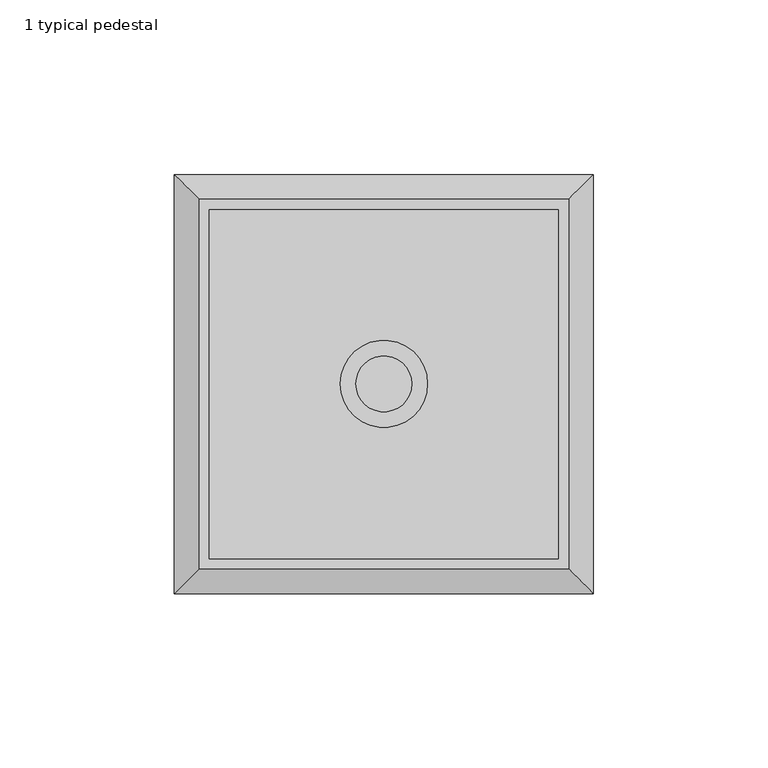
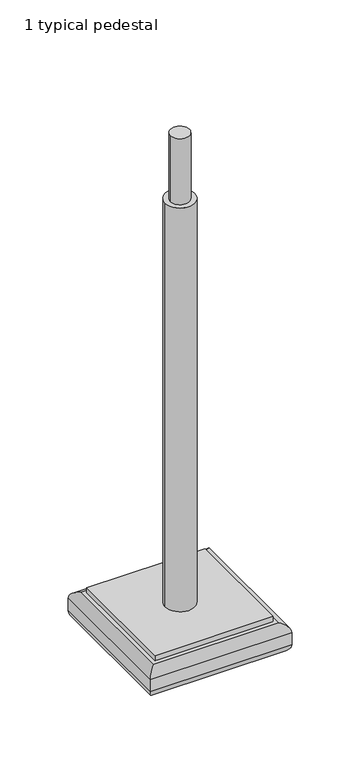
"""IFC4 building model written with IfcOpenShell, lengths in millimetres: proxy geometry, 1 typical pedestal."""

from ifc_helpers import new_model, si_unit, point, frame, frame_2d, origin, place, context, project, spatial, polyline, circle_curve, ellipse_curve, trimmed, segment, composite_curve, outline, extrude, source, transform, mapped, element, save
from ifc_brep_helpers import plane_surface, cylinder_surface, advanced_brep


def proxy_1_typical_pedestal_03ccecb5(model_context):
    return source(origin(), model_context, "Body", "SolidModel", [
        extrude(outline(composite_curve([segment(trimmed(circle_curve(frame_2d((600.0, 0.0)), 8.0), [point((592.0, 0.0))], [point((608.0, 0.0))], False, "CARTESIAN"), True, "CONTINUOUS"), segment(trimmed(circle_curve(frame_2d((600.0, 0.0)), 8.0), [point((608.0, 0.0))], [point((592.0, 0.0))], False, "CARTESIAN"), True, "CONTINUOUS")], self_intersect=False)), frame((0.0, 0.0, 391.0), z_axis=(0.0, 0.0, 1.0), x_axis=(1.0, 0.0, 0.0)), (0.0, 0.0, 1.0), 59.0),
        advanced_brep(
        [(547.0312293, 52.9687707, 25.0), (547.0312293, -52.9687707, 25.0), (652.9687707, -52.9687707, 25.0), (652.9687707, 52.9687707, 25.0), (547.0, -53.0, 0.0), (547.0, 53.0, 0.0), (653.0, 53.0, 0.0), (653.0, -53.0, 0.0), (540.0, 60.0, 7.0), (540.0, -60.0, 7.0), (540.0, -60.0, 17.9687707), (540.0, 60.0, 17.9687707), (660.0, -60.0, 7.0), (660.0, -60.0, 17.9687707), (660.0, 60.0, 7.0), (660.0, 60.0, 17.9687707)],
        [
            (0, 1),
            (1, 2),
            (2, 3),
            (3, 0),
            (4, 5),
            (5, 6),
            (6, 7),
            (7, 4),
            (8, 5, ellipse_curve(frame((547.0, 53.0, 7.0), z_axis=(-0.7071067811865475, -0.7071067811865475, 0.0), x_axis=(-0.7071067811865474, 0.7071067811865476, 0.0)), 9.8994949, 7.0)),
            (4, 9, ellipse_curve(frame((547.0, -53.0, 7.0), z_axis=(-0.7071067811865475, 0.7071067811865475, 0.0), x_axis=(0.7071067811865474, 0.7071067811865476, 0.0)), 9.8994949, 7.0)),
            (9, 8),
            (9, 10),
            (10, 11),
            (11, 8),
            (10, 1, ellipse_curve(frame((547.0312293, -52.9687707, 17.9687707), z_axis=(-0.7071067811865475, 0.7071067811865475, 0.0), x_axis=(0.7071067811865474, 0.7071067811865476, 0.0)), 9.9436598, 7.0312293)),
            (0, 11, ellipse_curve(frame((547.0312293, 52.9687707, 17.9687707), z_axis=(-0.7071067811865475, -0.7071067811865475, 0.0), x_axis=(-0.7071067811865474, 0.7071067811865476, 0.0)), 9.9436598, 7.0312293)),
            (7, 12, ellipse_curve(frame((653.0, -53.0, 7.0), z_axis=(-0.7071067811865475, -0.7071067811865475, 0.0), x_axis=(-0.7071067811865476, 0.7071067811865474, 0.0)), 9.8994949, 7.0)),
            (12, 9),
            (12, 13),
            (13, 10),
            (13, 2, ellipse_curve(frame((652.9687707, -52.9687707, 17.9687707), z_axis=(-0.7071067811865475, -0.7071067811865475, 0.0), x_axis=(-0.7071067811865476, 0.7071067811865474, 0.0)), 9.9436598, 7.0312293)),
            (6, 14, ellipse_curve(frame((653.0, 53.0, 7.0), z_axis=(0.7071067811865475, -0.7071067811865475, 0.0), x_axis=(-0.7071067811865474, -0.7071067811865476, 0.0)), 9.8994949, 7.0)),
            (14, 12),
            (14, 15),
            (15, 13),
            (15, 3, ellipse_curve(frame((652.9687707, 52.9687707, 17.9687707), z_axis=(0.7071067811865475, -0.7071067811865475, 0.0), x_axis=(-0.7071067811865474, -0.7071067811865476, 0.0)), 9.9436598, 7.0312293)),
            (8, 14),
            (11, 15),
        ],
        [
            plane_surface(frame((550.0, 50.0, 25.0), z_axis=(0.0, 0.0, 1.0), x_axis=(0.0, -1.0, 0.0))),
            plane_surface(frame((550.0, 50.0, 0.0), z_axis=(0.0, 0.0, -1.0), x_axis=(0.0, 1.0, 0.0))),
            cylinder_surface(frame((547.0, 50.0, 7.0), z_axis=(0.0, 1.0, 0.0), x_axis=(1.0, 0.0, 0.0)), 7.0),
            plane_surface(frame((540.0, 60.0, 7.0), z_axis=(-1.0, 0.0, 0.0), x_axis=(0.0, -1.0, 0.0))),
            cylinder_surface(frame((547.0312293, 50.0, 17.9687707), z_axis=(0.0, 1.0, 0.0), x_axis=(1.0, 0.0, 0.0)), 7.0312293),
            cylinder_surface(frame((550.0, -53.0, 7.0), z_axis=(-1.0, 0.0, 0.0), x_axis=(0.0, 1.0, 0.0)), 7.0),
            plane_surface(frame((540.0, -60.0, 7.0), z_axis=(0.0, -1.0, 0.0), x_axis=(1.0, 0.0, 0.0))),
            cylinder_surface(frame((550.0, -52.9687707, 17.9687707), z_axis=(-1.0, 0.0, 0.0), x_axis=(0.0, 1.0, 0.0)), 7.0312293),
            cylinder_surface(frame((653.0, -50.0, 7.0), z_axis=(0.0, -1.0, 0.0), x_axis=(-1.0, 0.0, 0.0)), 7.0),
            plane_surface(frame((660.0, -60.0, 7.0), z_axis=(1.0, 0.0, 0.0), x_axis=(0.0, 1.0, 0.0))),
            cylinder_surface(frame((652.9687707, -50.0, 17.9687707), z_axis=(0.0, -1.0, 0.0), x_axis=(-1.0, 0.0, 0.0)), 7.0312293),
            cylinder_surface(frame((650.0, 53.0, 7.0), z_axis=(1.0, 0.0, 0.0), x_axis=(0.0, -1.0, 0.0)), 7.0),
            plane_surface(frame((660.0, 60.0, 7.0), z_axis=(0.0, 1.0, 0.0), x_axis=(-1.0, 0.0, 0.0))),
            cylinder_surface(frame((650.0, 52.9687707, 17.9687707), z_axis=(1.0, 0.0, 0.0), x_axis=(0.0, -1.0, 0.0)), 7.0312293),
        ],
        [
            (0, [[1, 2, 3, 4]]),
            (1, [[5, 6, 7, 8]]),
            (2, [[9, -5, 10, 11]]),
            (3, [[-11, 12, 13, 14]]),
            (4, [[-13, 15, -1, 16]]),
            (5, [[-10, -8, 17, 18]]),
            (6, [[-12, -18, 19, 20]]),
            (7, [[-15, -20, 21, -2]]),
            (8, [[-17, -7, 22, 23]]),
            (9, [[-19, -23, 24, 25]]),
            (10, [[-21, -25, 26, -3]]),
            (11, [[-9, 27, -22, -6]]),
            (12, [[-14, 28, -24, -27]]),
            (13, [[-16, -4, -26, -28]]),
        ],
    ),
        extrude(outline(composite_curve([segment(trimmed(circle_curve(frame_2d((600.0, 0.0)), 12.5), [point((587.5, 0.0))], [point((612.5, 0.0))], False, "CARTESIAN"), True, "CONTINUOUS"), segment(trimmed(circle_curve(frame_2d((600.0, 0.0)), 12.5), [point((612.5, 0.0))], [point((587.5, 0.0))], False, "CARTESIAN"), True, "CONTINUOUS")], self_intersect=False)), frame((0.0, 0.0, 30.0), z_axis=(0.0, 0.0, 1.0), x_axis=(1.0, 0.0, 0.0)), (0.0, 0.0, 1.0), 361.0),
        extrude(outline(polyline([(550.0, 50.0), (650.0, 50.0), (650.0, -50.0), (550.0, -50.0), (550.0, 50.0)])), frame((0.0, 0.0, 25.0), z_axis=(0.0, 0.0, 1.0), x_axis=(1.0, 0.0, 0.0)), (0.0, 0.0, 1.0), 5.0),
    ])


if __name__ == "__main__":
    model = new_model("IFC4")
    model_context = context("Model", 3, world=origin())
    ifc_project = project(units=[si_unit("LENGTHUNIT", "METRE", prefix="MILLI")], contexts=[model_context])
    site = spatial("IfcSite", under=ifc_project)
    building = spatial("IfcBuilding", under=site)
    placement = place(None, origin())
    proxy_1_typical_pedestal_shape = proxy_1_typical_pedestal_03ccecb5(model_context)
    element("IfcBuildingElementProxy", 1, Name="1 typical pedestal", ObjectType="1 typical pedestal", at=placement, inside=building, context=model_context, shape_type="MappedRepresentation", body=[
        mapped(proxy_1_typical_pedestal_shape, transform((0.0, 0.0, 0.0), x_axis=(1.0, 0.0, 0.0), y_axis=(0.0, 1.0, 0.0), z_axis=(0.0, 0.0, 1.0))),
    ])
    save(model, "model.ifc")
